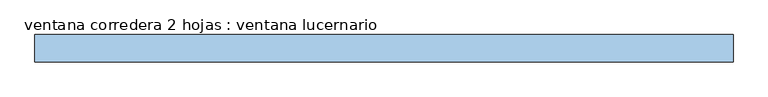
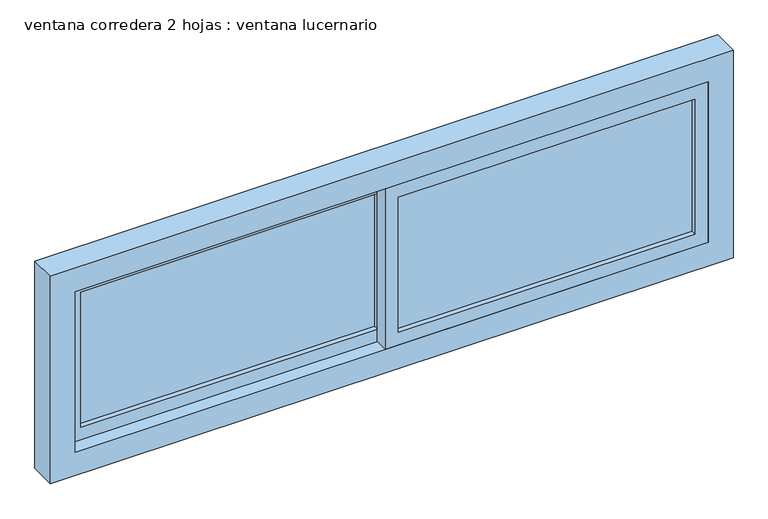
"""IFC4 building model written with IfcOpenShell, lengths in millimetres: window geometry, ventana corredera 2 hojas : ventana lucernario."""

from ifc_helpers import new_model, si_unit, frame, origin, place, context, project, spatial, polyline, outline, extrude, source, transform, mapped, element, save


def ventana_corredera_2_hojas_ventana_lucernario_80395378(model_context):
    return source(origin(), model_context, "Body", "SweptSolid", [
        extrude(outline(polyline([(732.6840642, 80.3681284), (732.6840642, 72.6840642), (16.1579679, 72.6840642), (16.1579679, 80.3681284), (732.6840642, 80.3681284)])), frame((0.0, 0.0, 892.3159358), z_axis=(0.0, 0.0, 1.0), x_axis=(1.0, 0.0, 0.0)), (0.0, 0.0, 1.0), 345.3681284),
        extrude(outline(polyline([(-16.1579679, 112.6840642), (-16.1579679, 105.0), (-732.6840642, 105.0), (-732.6840642, 112.6840642), (-16.1579679, 112.6840642)])), frame((0.0, 0.0, 892.3159358), z_axis=(0.0, 0.0, 1.0), x_axis=(1.0, 0.0, 0.0)), (0.0, 0.0, 1.0), 345.3681284),
        extrude(outline(polyline([(1330.0, 825.0), (1330.0, -825.0), (800.0, -825.0), (800.0, 825.0), (1330.0, 825.0)]), holes=[polyline([(1270.0, 765.0), (860.0, 765.0), (860.0, -765.0), (1270.0, -765.0), (1270.0, 765.0)])]), frame((0.0, 60.3681284, 0.0), z_axis=(0.0, 1.0, 0.0), x_axis=(0.0, 0.0, 1.0)), (0.0, 0.0, 1.0), 64.6318716),
        extrude(outline(polyline([(1270.0, 765.0), (1270.0, -16.1579679), (860.0, -16.1579679), (860.0, 765.0), (1270.0, 765.0)]), holes=[polyline([(1237.6840642, 732.6840642), (892.3159358, 732.6840642), (892.3159358, 16.1579679), (1237.6840642, 16.1579679), (1237.6840642, 732.6840642)])]), frame((0.0, 60.3681284, 0.0), z_axis=(0.0, 1.0, 0.0), x_axis=(0.0, 0.0, 1.0)), (0.0, 0.0, 1.0), 32.3159358),
        extrude(outline(polyline([(1270.0, 16.1579679), (1270.0, -765.0), (860.0, -765.0), (860.0, 16.1579679), (1270.0, 16.1579679)]), holes=[polyline([(1237.6840642, -16.1579679), (892.3159358, -16.1579679), (892.3159358, -732.6840642), (1237.6840642, -732.6840642), (1237.6840642, -16.1579679)])]), frame((0.0, 92.6840642, 0.0), z_axis=(0.0, 1.0, 0.0), x_axis=(0.0, 0.0, 1.0)), (0.0, 0.0, 1.0), 32.3159358),
    ])


if __name__ == "__main__":
    model = new_model("IFC4")
    model_context = context("Model", 3, world=origin())
    ifc_project = project(units=[si_unit("LENGTHUNIT", "METRE", prefix="MILLI")], contexts=[model_context])
    site = spatial("IfcSite", under=ifc_project)
    building = spatial("IfcBuilding", under=site)
    placement = place(None, origin())
    ventana_corredera_2_hojas_ventana_lucernario_shape = ventana_corredera_2_hojas_ventana_lucernario_80395378(model_context)
    element("IfcWindow", 1, ObjectType="ventana corredera 2 hojas : ventana lucernario", at=placement, inside=building, context=model_context, shape_type="MappedRepresentation", body=[
        mapped(ventana_corredera_2_hojas_ventana_lucernario_shape, transform((0.0, 0.0, 0.0), x_axis=(1.0, 0.0, 0.0), y_axis=(0.0, 1.0, 0.0), z_axis=(0.0, 0.0, 1.0))),
    ])
    save(model, "model.ifc")
